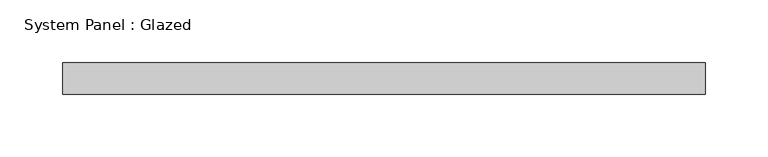
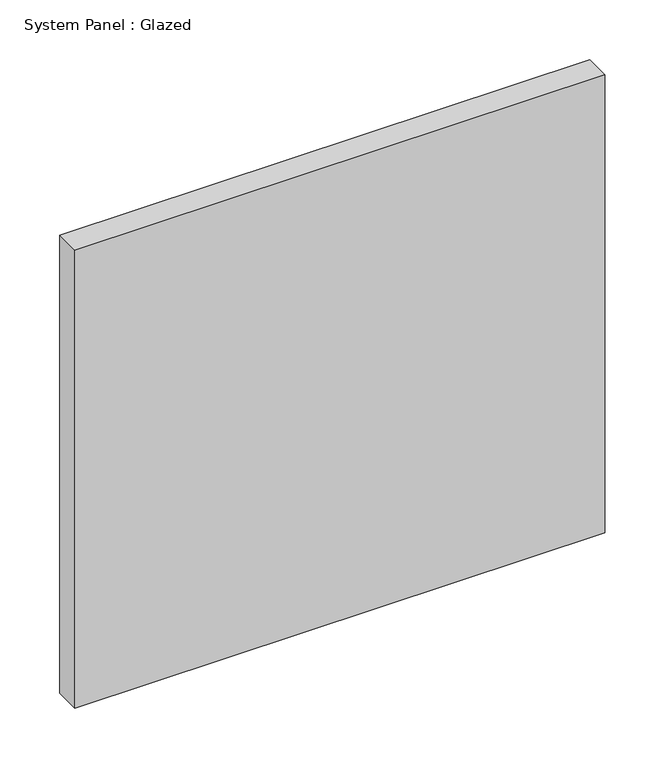
"""IFC4 building model written with IfcOpenShell, lengths in millimetres: plate geometry, System Panel : Glazed."""

from ifc_helpers import new_model, si_unit, origin, origin_with_axes, place, context, project, spatial, polyline, outline, extrude, source, transform, mapped, element, save


def system_panel_glazed_8137e8a0(model_context):
    return source(origin(), model_context, "Body", "SweptSolid", [
        extrude(outline(polyline([(257.175, -12.7), (-257.175, -12.7), (-257.175, 12.7), (257.175, 12.7), (257.175, -12.7)])), origin_with_axes(), (0.0, 0.0, 1.0), 469.9),
    ])


if __name__ == "__main__":
    model = new_model("IFC4")
    model_context = context("Model", 3, world=origin())
    ifc_project = project(units=[si_unit("LENGTHUNIT", "METRE", prefix="MILLI")], contexts=[model_context])
    site = spatial("IfcSite", under=ifc_project)
    building = spatial("IfcBuilding", under=site)
    placement = place(None, origin())
    system_panel_glazed_shape = system_panel_glazed_8137e8a0(model_context)
    element("IfcPlate", 1, ObjectType="System Panel : Glazed", at=placement, inside=building, context=model_context, shape_type="MappedRepresentation", body=[
        mapped(system_panel_glazed_shape, transform((0.0, 0.0, 0.0), x_axis=(1.0, 0.0, 0.0), y_axis=(0.0, 1.0, 0.0), z_axis=(0.0, 0.0, 1.0))),
    ])
    save(model, "model.ifc")
